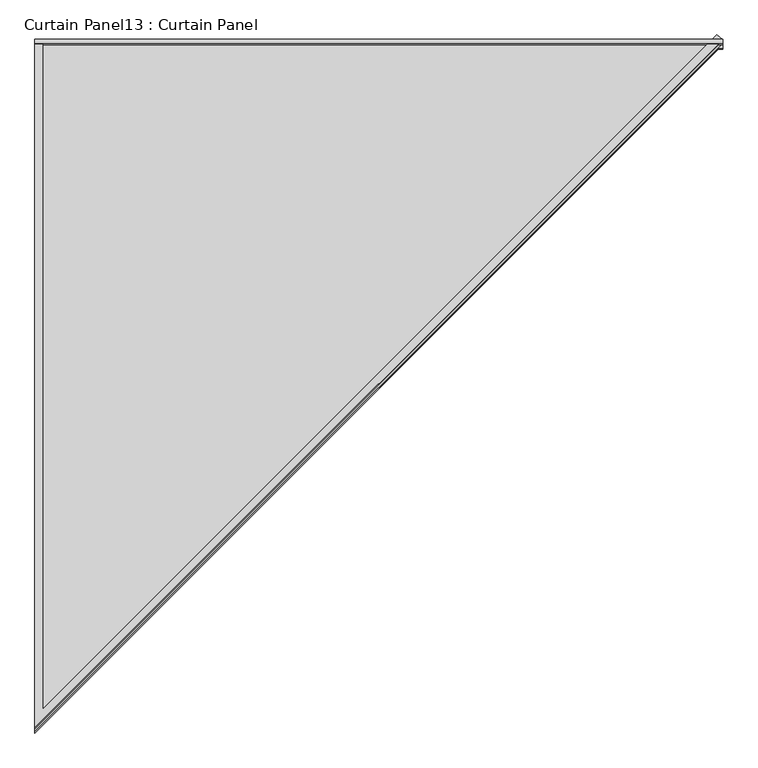
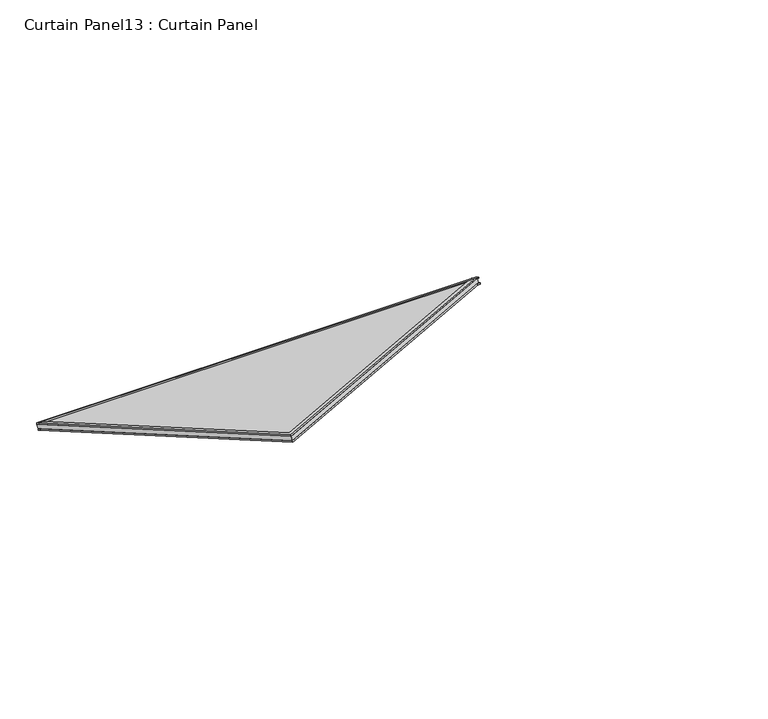
"""IFC4 building model written with IfcOpenShell, lengths in millimetres: plate geometry, Curtain Panel13 : Curtain Panel."""

import ifcopenshell
import ifcopenshell.guid

model = None  # the IFC model being written
_history = None  # IfcOwnerHistory: only IFC2X3 demands one
_inside = {}  # id of a spatial element -> (the spatial element, [elements in it])
_under = {}  # id of a project, library or spatial element -> (it, [spatial elements below it])
_declared = {}  # id of a project -> (the project, [libraries it declares])
_typed = {}  # id of a type object -> (the type object, [elements of that type])
_made_of = {}  # id of a material, layer set ... -> (it, [elements and type objects made of it])


def new_model(schema):
    """Start an empty IFC model of exactly this schema.

    Asked for "IFC4X3", IfcOpenShell would pick the latest addendum, in which some entities
    have other attributes; the version numbers below select the first issue.
    IFC2X3 requires an IfcOwnerHistory on every rooted entity: one is made here for all.
    """
    global model, _history
    if schema == "IFC4X3":
        model = ifcopenshell.file(schema_version=(4, 3, 0, 0))
    else:
        model = ifcopenshell.file(schema=schema)
    _inside.clear()
    _under.clear()
    _declared.clear()
    _typed.clear()
    _made_of.clear()
    _history = None
    if model.schema == "IFC2X3":
        org = make("IfcOrganization", Name="unknown")
        user = make(
            "IfcPersonAndOrganization",
            ThePerson=make("IfcPerson", FamilyName="unknown"),
            TheOrganization=org,
        )
        app = make(
            "IfcApplication",
            ApplicationDeveloper=org,
            Version="unknown",
            ApplicationFullName="unknown",
            ApplicationIdentifier="unknown",
        )
        _history = make(
            "IfcOwnerHistory",
            OwningUser=user,
            OwningApplication=app,
            ChangeAction="ADDED",
            CreationDate=0,
        )
    return model


def make(cls, **values):
    """One entity of the class cls with the attributes given. An attribute that is None is left unset."""
    return model.create_entity(
        cls, **{name: value for name, value in values.items() if value is not None}
    )


def rooted(cls, **values):
    """An entity with a GlobalId (a new one), such as an element, a storey or a relation."""
    return make(cls, GlobalId=ifcopenshell.guid.new(), OwnerHistory=_history, **values)


def si_unit(unit_type, name, prefix=None):
    """IfcSIUnit, for example si_unit("LENGTHUNIT", "METRE", prefix="MILLI")."""
    return make("IfcSIUnit", UnitType=unit_type, Prefix=prefix, Name=name)


def assignment(units):
    """IfcUnitAssignment: the units of a project."""
    return None if units is None else make("IfcUnitAssignment", Units=units)


def point(xyz):
    """IfcCartesianPoint."""
    return None if xyz is None else make("IfcCartesianPoint", Coordinates=xyz)


def direction(xyz):
    """IfcDirection."""
    return None if xyz is None else make("IfcDirection", DirectionRatios=xyz)


def frame(location, z_axis=None, x_axis=None):
    """IfcAxis2Placement3D, a coordinate frame: its origin and axes. An axis left out is left unset."""
    return make(
        "IfcAxis2Placement3D",
        Location=point(location),
        Axis=direction(z_axis),
        RefDirection=direction(x_axis),
    )


def origin():
    """The frame at (0, 0, 0) with its axes left unset."""
    return frame((0.0, 0.0, 0.0))


def place(relative_to, where):
    """IfcLocalPlacement: puts the frame where relative to a parent placement (None: the world)."""
    return make(
        "IfcLocalPlacement", PlacementRelTo=relative_to, RelativePlacement=where
    )


def context(
    kind, dimensions, precision=None, world=None, true_north=None, identifier=None
):
    """IfcGeometricRepresentationContext, for example the 3D "Model" context."""
    return make(
        "IfcGeometricRepresentationContext",
        ContextIdentifier=identifier,
        ContextType=kind,
        CoordinateSpaceDimension=dimensions,
        Precision=precision,
        WorldCoordinateSystem=world,
        TrueNorth=true_north,
    )


def project(units=None, contexts=None):
    """IfcProject with its units and contexts."""
    return rooted(
        "IfcProject",
        Name="project",
        RepresentationContexts=contexts,
        UnitsInContext=assignment(units),
    )


def spatial(cls, under=None, at=None, **own):
    """A site, building, storey or space (cls), placed at a placement, below another one or the project."""
    s = rooted(cls, ObjectPlacement=at, **own)
    if under is not None:
        _under.setdefault(under.id(), (under, []))[1].append(s)
    return s


def polyline(points):
    """IfcPolyline through the points."""
    return make("IfcPolyline", Points=[point(p) for p in points])


def outline(outer, holes=None, kind="AREA"):
    """IfcArbitraryClosedProfileDef: a profile drawn as a closed curve; with holes, ...WithVoids."""
    if holes is None:
        return make("IfcArbitraryClosedProfileDef", ProfileType=kind, OuterCurve=outer)
    return make(
        "IfcArbitraryProfileDefWithVoids",
        ProfileType=kind,
        OuterCurve=outer,
        InnerCurves=holes,
    )


def extrude(swept, where, along, depth):
    """IfcExtrudedAreaSolid: the profile swept, set in the frame where, extruded along a direction by depth."""
    return make(
        "IfcExtrudedAreaSolid",
        SweptArea=swept,
        Position=where,
        ExtrudedDirection=direction(along),
        Depth=depth,
    )


def shape(context_of_items, identifier, shape_type, items):
    """IfcShapeRepresentation: the items that make up one representation, for example the "Body"."""
    return make(
        "IfcShapeRepresentation",
        ContextOfItems=context_of_items,
        RepresentationIdentifier=identifier,
        RepresentationType=shape_type,
        Items=items,
    )


def source(mapping_origin, context_of_items, identifier, shape_type, items):
    """IfcRepresentationMap: a shape defined once, which mapped items show again and again."""
    return make(
        "IfcRepresentationMap",
        MappingOrigin=mapping_origin,
        MappedRepresentation=shape(context_of_items, identifier, shape_type, items),
    )


def transform(
    local_origin,
    x_axis=None,
    y_axis=None,
    z_axis=None,
    scale=None,
    scale2=None,
    scale3=None,
    uniform=True,
):
    """IfcCartesianTransformationOperator3D, or its non-uniform kind. x_axis, y_axis, z_axis: its Axis1, 2, 3."""
    if uniform:
        return make(
            "IfcCartesianTransformationOperator3D",
            Axis1=direction(x_axis),
            Axis2=direction(y_axis),
            LocalOrigin=point(local_origin),
            Scale=scale,
            Axis3=direction(z_axis),
        )
    return make(
        "IfcCartesianTransformationOperator3DnonUniform",
        Axis1=direction(x_axis),
        Axis2=direction(y_axis),
        LocalOrigin=point(local_origin),
        Scale=scale,
        Axis3=direction(z_axis),
        Scale2=scale2,
        Scale3=scale3,
    )


def mapped(mapping_source, mapping_target):
    """IfcMappedItem: shows the shape of a source again, moved by a transform."""
    return make(
        "IfcMappedItem", MappingSource=mapping_source, MappingTarget=mapping_target
    )


def made_of(thing, what):
    """Note that an element or type object is made of a material, layer set ...; save() writes the relation."""
    if what is not None:
        _made_of.setdefault(what.id(), (what, []))[1].append(thing)
    return thing


def element(
    cls,
    number,
    at=None,
    inside=None,
    cuts=None,
    type_object=None,
    material=None,
    context=None,
    identifier="Body",
    shape_type=None,
    held_by="IfcProductDefinitionShape",
    body=None,
    shapes=None,
    **own,
):
    """One element of the class cls, such as IfcWall. Its Tag is "e" and its number.

    at: its placement. inside: the storey or other place that contains it. cuts: it is an
    opening in that element (IfcRelVoidsElement). A single representation is given by context,
    identifier, shape_type and body (its items); several are given by shapes. held_by: the class
    of the entity that holds the representations. save() writes the other relations.
    """
    e = rooted(cls, Tag="e%d" % number, ObjectPlacement=at, **own)
    if body is not None:
        shapes = [shape(context, identifier, shape_type, body)]
    if shapes is not None:
        e.Representation = make(held_by, Representations=shapes)
    if inside is not None:
        _inside.setdefault(inside.id(), (inside, []))[1].append(e)
    if cuts is not None:
        rooted(
            "IfcRelVoidsElement", RelatingBuildingElement=cuts, RelatedOpeningElement=e
        )
    if type_object is not None:
        _typed.setdefault(type_object.id(), (type_object, []))[1].append(e)
    return made_of(e, material)


def aggregate(whole, parts):
    """IfcRelAggregates: a whole, such as a stair, and the parts it consists of."""
    return rooted("IfcRelAggregates", RelatingObject=whole, RelatedObjects=parts)


def save(model, path):
    """Write the relations noted so far, then the file.

    IfcRelAggregates (storeys below a building ...), IfcRelContainedInSpatialStructure (elements
    in a storey), IfcRelDefinesByType, IfcRelAssociatesMaterial and IfcRelDeclares: one each for
    every whole, place, type object, material and project.
    """
    for whole, parts in _under.values():
        aggregate(whole, parts)
    for where, things in _inside.values():
        rooted(
            "IfcRelContainedInSpatialStructure",
            RelatedElements=things,
            RelatingStructure=where,
        )
    for kind, things in _typed.values():
        rooted("IfcRelDefinesByType", RelatedObjects=things, RelatingType=kind)
    for what, things in _made_of.values():
        rooted("IfcRelAssociatesMaterial", RelatedObjects=things, RelatingMaterial=what)
    for by, libraries in _declared.values():
        rooted("IfcRelDeclares", RelatingContext=by, RelatedDefinitions=libraries)
    model.write(path)


def curtain_panel13_curtain_panel_9a62bcd1(model_context):
    return source(origin(), model_context, "Body", "SweptSolid", [
        extrude(outline(polyline([(-8176.46618, 918.1568362), (-8178.5776207, 914.4994209), (-8188.2014547, 920.0557441), (-8186.0900797, 923.7127528), (-8176.46618, 918.1568362)])), frame((11958.6530333, 0.0, 0.0), z_axis=(1.0, 0.0, 0.0), x_axis=(0.0, 1.0, 0.0)), (0.0, 0.0, 1.0), 1495.9758311),
        extrude(outline(polyline([(-8185.3847802, 902.7093986), (-8187.7057427, 898.689052), (-8197.3295758, 904.2453746), (-8195.0086664, 908.2653075), (-8185.3847802, 902.7093986)])), frame((11958.6530333, 0.0, 0.0), z_axis=(1.0, 0.0, 0.0), x_axis=(0.0, 1.0, 0.0)), (0.0, 0.0, 1.0), 1495.9758311),
        extrude(outline(polyline([(0.0, -11.1252), (0.0, 0.0), (1697.5630085, 0.0), (-7.2839438, 1476.4407703), (-0.0007908, 1484.850631), (1727.4033067, -11.1252), (0.0, -11.1252)])), frame((11969.7782333, -8187.8051047, 898.5172737), z_axis=(0.0, 0.49999999999999956, 0.8660254037844389), x_axis=(0.0, -0.8660254037844389, 0.49999999999999956)), (0.0, 0.0, 1.0), 4.8617187),
        extrude(outline(polyline([(0.0, -17.4752), (0.0, 0.0), (1680.530875, 0.0), (-11.4409946, 1465.2906215), (-0.0007908, 1478.500631), (1727.4033067, -17.4752), (0.0, -17.4752)])), frame((11976.1282333, -8178.5777609, 914.4995019), z_axis=(0.0, 0.4999999999999995, 0.866025403784439), x_axis=(0.0, -0.866025403784439, 0.4999999999999995)), (0.0, 0.0, 1.0), 4.0243125),
        extrude(outline(polyline([(12.7, 0.0), (1508.675831, 0.0), (12.7, -1727.4040976), (12.7, 0.0)])), frame((11945.9530333, -8185.3735604, 902.7272502), z_axis=(0.0, 0.5000000000000002, 0.8660254037844386), x_axis=(1.0, 0.0, 0.0)), (0.0, 0.0, 1.0), 13.5929687),
    ])


if __name__ == "__main__":
    model = new_model("IFC4")
    model_context = context("Model", 3, world=origin())
    ifc_project = project(units=[si_unit("LENGTHUNIT", "METRE", prefix="MILLI")], contexts=[model_context])
    site = spatial("IfcSite", under=ifc_project)
    building = spatial("IfcBuilding", under=site)
    placement = place(None, origin())
    curtain_panel13_curtain_panel_shape = curtain_panel13_curtain_panel_9a62bcd1(model_context)
    element("IfcPlate", 1, ObjectType="Curtain Panel13 : Curtain Panel", at=placement, inside=building, context=model_context, shape_type="MappedRepresentation", body=[
        mapped(curtain_panel13_curtain_panel_shape, transform((0.0, 0.0, 0.0), x_axis=(1.0, 0.0, 0.0), y_axis=(0.0, 1.0, 0.0), z_axis=(0.0, 0.0, 1.0))),
    ])
    save(model, "model.ifc")
